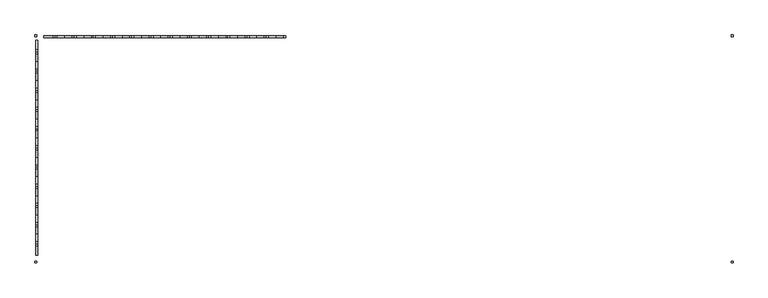
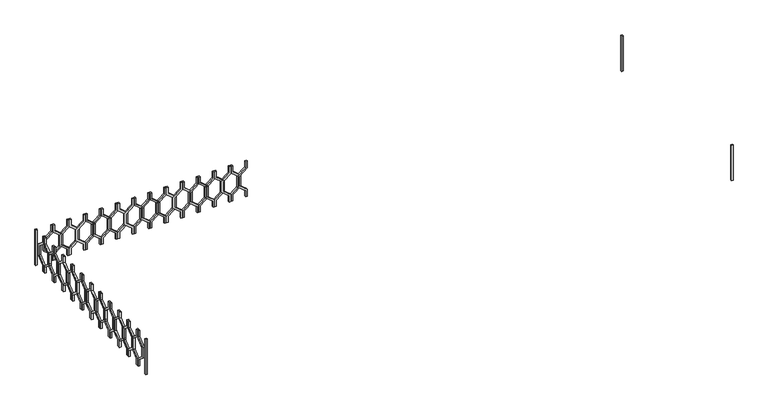
"""IFC4 building model written with IfcOpenShell, lengths in millimetres: railing geometry."""

from ifc_helpers import new_model, si_unit, frame, origin, place, context, project, spatial, polyline, outline, extrude, source, transform, mapped, element, save


def railing_8b31e123(model_context):
    return source(origin(), model_context, "Body", "SweptSolid", [
        extrude(outline(polyline([(28660.0, 44935.0112841), (28660.0, 44915.0112841), (28580.0, 44915.0112841), (28500.0, 44816.0163347), (28360.0, 44816.0163347), (28280.0, 44915.0112841), (28200.0, 44915.0112841), (28200.0, 44935.0112841), (28289.551845, 44935.0112841), (28369.551845, 44836.0163347), (28490.448155, 44836.0163347), (28570.448155, 44935.0112841), (28660.0, 44935.0112841)])), frame((0.0, 3248.1079487, 0.0), z_axis=(0.0, 1.0, 0.0), x_axis=(0.0, 0.0, 1.0)), (0.0, 0.0, 1.0), 20.0),
        extrude(outline(polyline([(28660.0, 44735.0112841), (28570.448155, 44735.0112841), (28490.448155, 44834.0062335), (28369.551845, 44834.0062335), (28289.551845, 44735.0112841), (28200.0, 44735.0112841), (28200.0, 44755.0112841), (28280.0, 44755.0112841), (28360.0, 44854.0062335), (28500.0, 44854.0062335), (28580.0, 44755.0112841), (28660.0, 44755.0112841), (28660.0, 44735.0112841)])), frame((0.0, 3248.1079487, 0.0), z_axis=(0.0, 1.0, 0.0), x_axis=(0.0, 0.0, 1.0)), (0.0, 0.0, 1.0), 20.0),
        extrude(outline(polyline([(28660.0, 44735.0112841), (28660.0, 44715.0112841), (28580.0, 44715.0112841), (28500.0, 44616.0163347), (28360.0, 44616.0163347), (28280.0, 44715.0112841), (28200.0, 44715.0112841), (28200.0, 44735.0112841), (28289.551845, 44735.0112841), (28369.551845, 44636.0163347), (28490.448155, 44636.0163347), (28570.448155, 44735.0112841), (28660.0, 44735.0112841)])), frame((0.0, 3248.1079487, 0.0), z_axis=(0.0, 1.0, 0.0), x_axis=(0.0, 0.0, 1.0)), (0.0, 0.0, 1.0), 20.0),
        extrude(outline(polyline([(28660.0, 44535.0112841), (28570.448155, 44535.0112841), (28490.448155, 44634.0062335), (28369.551845, 44634.0062335), (28289.551845, 44535.0112841), (28200.0, 44535.0112841), (28200.0, 44555.0112841), (28280.0, 44555.0112841), (28360.0, 44654.0062335), (28500.0, 44654.0062335), (28580.0, 44555.0112841), (28660.0, 44555.0112841), (28660.0, 44535.0112841)])), frame((0.0, 3248.1079487, 0.0), z_axis=(0.0, 1.0, 0.0), x_axis=(0.0, 0.0, 1.0)), (0.0, 0.0, 1.0), 20.0),
        extrude(outline(polyline([(28660.0, 44535.0112841), (28660.0, 44515.0112841), (28580.0, 44515.0112841), (28500.0, 44416.0163347), (28360.0, 44416.0163347), (28280.0, 44515.0112841), (28200.0, 44515.0112841), (28200.0, 44535.0112841), (28289.551845, 44535.0112841), (28369.551845, 44436.0163347), (28490.448155, 44436.0163347), (28570.448155, 44535.0112841), (28660.0, 44535.0112841)])), frame((0.0, 3248.1079487, 0.0), z_axis=(0.0, 1.0, 0.0), x_axis=(0.0, 0.0, 1.0)), (0.0, 0.0, 1.0), 20.0),
        extrude(outline(polyline([(28660.0, 44335.0112841), (28570.448155, 44335.0112841), (28490.448155, 44434.0062335), (28369.551845, 44434.0062335), (28289.551845, 44335.0112841), (28200.0, 44335.0112841), (28200.0, 44355.0112841), (28280.0, 44355.0112841), (28360.0, 44454.0062335), (28500.0, 44454.0062335), (28580.0, 44355.0112841), (28660.0, 44355.0112841), (28660.0, 44335.0112841)])), frame((0.0, 3248.1079487, 0.0), z_axis=(0.0, 1.0, 0.0), x_axis=(0.0, 0.0, 1.0)), (0.0, 0.0, 1.0), 20.0),
        extrude(outline(polyline([(28660.0, 44335.0112841), (28660.0, 44315.0112841), (28580.0, 44315.0112841), (28500.0, 44216.0163347), (28360.0, 44216.0163347), (28280.0, 44315.0112841), (28200.0, 44315.0112841), (28200.0, 44335.0112841), (28289.551845, 44335.0112841), (28369.551845, 44236.0163347), (28490.448155, 44236.0163347), (28570.448155, 44335.0112841), (28660.0, 44335.0112841)])), frame((0.0, 3248.1079487, 0.0), z_axis=(0.0, 1.0, 0.0), x_axis=(0.0, 0.0, 1.0)), (0.0, 0.0, 1.0), 20.0),
        extrude(outline(polyline([(28660.0, 44135.0112841), (28570.448155, 44135.0112841), (28490.448155, 44234.0062335), (28369.551845, 44234.0062335), (28289.551845, 44135.0112841), (28200.0, 44135.0112841), (28200.0, 44155.0112841), (28280.0, 44155.0112841), (28360.0, 44254.0062335), (28500.0, 44254.0062335), (28580.0, 44155.0112841), (28660.0, 44155.0112841), (28660.0, 44135.0112841)])), frame((0.0, 3248.1079487, 0.0), z_axis=(0.0, 1.0, 0.0), x_axis=(0.0, 0.0, 1.0)), (0.0, 0.0, 1.0), 20.0),
        extrude(outline(polyline([(28660.0, 44135.0112841), (28660.0, 44115.0112841), (28580.0, 44115.0112841), (28500.0, 44016.0163347), (28360.0, 44016.0163347), (28280.0, 44115.0112841), (28200.0, 44115.0112841), (28200.0, 44135.0112841), (28289.551845, 44135.0112841), (28369.551845, 44036.0163347), (28490.448155, 44036.0163347), (28570.448155, 44135.0112841), (28660.0, 44135.0112841)])), frame((0.0, 3248.1079487, 0.0), z_axis=(0.0, 1.0, 0.0), x_axis=(0.0, 0.0, 1.0)), (0.0, 0.0, 1.0), 20.0),
        extrude(outline(polyline([(28660.0, 43935.0112841), (28570.448155, 43935.0112841), (28490.448155, 44034.0062335), (28369.551845, 44034.0062335), (28289.551845, 43935.0112841), (28200.0, 43935.0112841), (28200.0, 43955.0112841), (28280.0, 43955.0112841), (28360.0, 44054.0062335), (28500.0, 44054.0062335), (28580.0, 43955.0112841), (28660.0, 43955.0112841), (28660.0, 43935.0112841)])), frame((0.0, 3248.1079487, 0.0), z_axis=(0.0, 1.0, 0.0), x_axis=(0.0, 0.0, 1.0)), (0.0, 0.0, 1.0), 20.0),
        extrude(outline(polyline([(28660.0, 43935.0112841), (28660.0, 43915.0112841), (28580.0, 43915.0112841), (28500.0, 43816.0163347), (28360.0, 43816.0163347), (28280.0, 43915.0112841), (28200.0, 43915.0112841), (28200.0, 43935.0112841), (28289.551845, 43935.0112841), (28369.551845, 43836.0163347), (28490.448155, 43836.0163347), (28570.448155, 43935.0112841), (28660.0, 43935.0112841)])), frame((0.0, 3248.1079487, 0.0), z_axis=(0.0, 1.0, 0.0), x_axis=(0.0, 0.0, 1.0)), (0.0, 0.0, 1.0), 20.0),
        extrude(outline(polyline([(28660.0, 43735.0112841), (28570.448155, 43735.0112841), (28490.448155, 43834.0062335), (28369.551845, 43834.0062335), (28289.551845, 43735.0112841), (28200.0, 43735.0112841), (28200.0, 43755.0112841), (28280.0, 43755.0112841), (28360.0, 43854.0062335), (28500.0, 43854.0062335), (28580.0, 43755.0112841), (28660.0, 43755.0112841), (28660.0, 43735.0112841)])), frame((0.0, 3248.1079487, 0.0), z_axis=(0.0, 1.0, 0.0), x_axis=(0.0, 0.0, 1.0)), (0.0, 0.0, 1.0), 20.0),
        extrude(outline(polyline([(28660.0, 43735.0112841), (28660.0, 43715.0112841), (28580.0, 43715.0112841), (28500.0, 43616.0163347), (28360.0, 43616.0163347), (28280.0, 43715.0112841), (28200.0, 43715.0112841), (28200.0, 43735.0112841), (28289.551845, 43735.0112841), (28369.551845, 43636.0163347), (28490.448155, 43636.0163347), (28570.448155, 43735.0112841), (28660.0, 43735.0112841)])), frame((0.0, 3248.1079487, 0.0), z_axis=(0.0, 1.0, 0.0), x_axis=(0.0, 0.0, 1.0)), (0.0, 0.0, 1.0), 20.0),
        extrude(outline(polyline([(28660.0, 43535.0112841), (28570.448155, 43535.0112841), (28490.448155, 43634.0062335), (28369.551845, 43634.0062335), (28289.551845, 43535.0112841), (28200.0, 43535.0112841), (28200.0, 43555.0112841), (28280.0, 43555.0112841), (28360.0, 43654.0062335), (28500.0, 43654.0062335), (28580.0, 43555.0112841), (28660.0, 43555.0112841), (28660.0, 43535.0112841)])), frame((0.0, 3248.1079487, 0.0), z_axis=(0.0, 1.0, 0.0), x_axis=(0.0, 0.0, 1.0)), (0.0, 0.0, 1.0), 20.0),
        extrude(outline(polyline([(28660.0, 43535.0112841), (28660.0, 43515.0112841), (28580.0, 43515.0112841), (28500.0, 43416.0163347), (28360.0, 43416.0163347), (28280.0, 43515.0112841), (28200.0, 43515.0112841), (28200.0, 43535.0112841), (28289.551845, 43535.0112841), (28369.551845, 43436.0163347), (28490.448155, 43436.0163347), (28570.448155, 43535.0112841), (28660.0, 43535.0112841)])), frame((0.0, 3248.1079487, 0.0), z_axis=(0.0, 1.0, 0.0), x_axis=(0.0, 0.0, 1.0)), (0.0, 0.0, 1.0), 20.0),
        extrude(outline(polyline([(28660.0, 43335.0112841), (28570.448155, 43335.0112841), (28490.448155, 43434.0062335), (28369.551845, 43434.0062335), (28289.551845, 43335.0112841), (28200.0, 43335.0112841), (28200.0, 43355.0112841), (28280.0, 43355.0112841), (28360.0, 43454.0062335), (28500.0, 43454.0062335), (28580.0, 43355.0112841), (28660.0, 43355.0112841), (28660.0, 43335.0112841)])), frame((0.0, 3248.1079487, 0.0), z_axis=(0.0, 1.0, 0.0), x_axis=(0.0, 0.0, 1.0)), (0.0, 0.0, 1.0), 20.0),
        extrude(outline(polyline([(28660.0, 43335.0112841), (28660.0, 43315.0112841), (28580.0, 43315.0112841), (28500.0, 43216.0163347), (28360.0, 43216.0163347), (28280.0, 43315.0112841), (28200.0, 43315.0112841), (28200.0, 43335.0112841), (28289.551845, 43335.0112841), (28369.551845, 43236.0163347), (28490.448155, 43236.0163347), (28570.448155, 43335.0112841), (28660.0, 43335.0112841)])), frame((0.0, 3248.1079487, 0.0), z_axis=(0.0, 1.0, 0.0), x_axis=(0.0, 0.0, 1.0)), (0.0, 0.0, 1.0), 20.0),
        extrude(outline(polyline([(28660.0, 43135.0112841), (28570.448155, 43135.0112841), (28490.448155, 43234.0062335), (28369.551845, 43234.0062335), (28289.551845, 43135.0112841), (28200.0, 43135.0112841), (28200.0, 43155.0112841), (28280.0, 43155.0112841), (28360.0, 43254.0062335), (28500.0, 43254.0062335), (28580.0, 43155.0112841), (28660.0, 43155.0112841), (28660.0, 43135.0112841)])), frame((0.0, 3248.1079487, 0.0), z_axis=(0.0, 1.0, 0.0), x_axis=(0.0, 0.0, 1.0)), (0.0, 0.0, 1.0), 20.0),
        extrude(outline(polyline([(28660.0, 43135.0112841), (28660.0, 43115.0112841), (28580.0, 43115.0112841), (28500.0, 43016.0163347), (28360.0, 43016.0163347), (28280.0, 43115.0112841), (28200.0, 43115.0112841), (28200.0, 43135.0112841), (28289.551845, 43135.0112841), (28369.551845, 43036.0163347), (28490.448155, 43036.0163347), (28570.448155, 43135.0112841), (28660.0, 43135.0112841)])), frame((0.0, 3248.1079487, 0.0), z_axis=(0.0, 1.0, 0.0), x_axis=(0.0, 0.0, 1.0)), (0.0, 0.0, 1.0), 20.0),
        extrude(outline(polyline([(28660.0, 42935.0112841), (28570.448155, 42935.0112841), (28490.448155, 43034.0062335), (28369.551845, 43034.0062335), (28289.551845, 42935.0112841), (28200.0, 42935.0112841), (28200.0, 42955.0112841), (28280.0, 42955.0112841), (28360.0, 43054.0062335), (28500.0, 43054.0062335), (28580.0, 42955.0112841), (28660.0, 42955.0112841), (28660.0, 42935.0112841)])), frame((0.0, 3248.1079487, 0.0), z_axis=(0.0, 1.0, 0.0), x_axis=(0.0, 0.0, 1.0)), (0.0, 0.0, 1.0), 20.0),
        extrude(outline(polyline([(28660.0, 42935.0112841), (28660.0, 42915.0112841), (28580.0, 42915.0112841), (28500.0, 42816.0163347), (28360.0, 42816.0163347), (28280.0, 42915.0112841), (28200.0, 42915.0112841), (28200.0, 42935.0112841), (28289.551845, 42935.0112841), (28369.551845, 42836.0163347), (28490.448155, 42836.0163347), (28570.448155, 42935.0112841), (28660.0, 42935.0112841)])), frame((0.0, 3248.1079487, 0.0), z_axis=(0.0, 1.0, 0.0), x_axis=(0.0, 0.0, 1.0)), (0.0, 0.0, 1.0), 20.0),
        extrude(outline(polyline([(28660.0, 42735.0112841), (28570.448155, 42735.0112841), (28490.448155, 42834.0062335), (28369.551845, 42834.0062335), (28289.551845, 42735.0112841), (28200.0, 42735.0112841), (28200.0, 42755.0112841), (28280.0, 42755.0112841), (28360.0, 42854.0062335), (28500.0, 42854.0062335), (28580.0, 42755.0112841), (28660.0, 42755.0112841), (28660.0, 42735.0112841)])), frame((0.0, 3248.1079487, 0.0), z_axis=(0.0, 1.0, 0.0), x_axis=(0.0, 0.0, 1.0)), (0.0, 0.0, 1.0), 20.0),
        extrude(outline(polyline([(28660.0, 42735.0112841), (28660.0, 42715.0112841), (28580.0, 42715.0112841), (28500.0, 42616.0163347), (28360.0, 42616.0163347), (28280.0, 42715.0112841), (28200.0, 42715.0112841), (28200.0, 42735.0112841), (28289.551845, 42735.0112841), (28369.551845, 42636.0163347), (28490.448155, 42636.0163347), (28570.448155, 42735.0112841), (28660.0, 42735.0112841)])), frame((0.0, 3248.1079487, 0.0), z_axis=(0.0, 1.0, 0.0), x_axis=(0.0, 0.0, 1.0)), (0.0, 0.0, 1.0), 20.0),
        extrude(outline(polyline([(28660.0, 42535.0112841), (28570.448155, 42535.0112841), (28490.448155, 42634.0062335), (28369.551845, 42634.0062335), (28289.551845, 42535.0112841), (28200.0, 42535.0112841), (28200.0, 42555.0112841), (28280.0, 42555.0112841), (28360.0, 42654.0062335), (28500.0, 42654.0062335), (28580.0, 42555.0112841), (28660.0, 42555.0112841), (28660.0, 42535.0112841)])), frame((0.0, 3248.1079487, 0.0), z_axis=(0.0, 1.0, 0.0), x_axis=(0.0, 0.0, 1.0)), (0.0, 0.0, 1.0), 20.0),
        extrude(outline(polyline([(28660.0, 42535.0112841), (28660.0, 42515.0112841), (28580.0, 42515.0112841), (28500.0, 42416.0163347), (28360.0, 42416.0163347), (28280.0, 42515.0112841), (28200.0, 42515.0112841), (28200.0, 42535.0112841), (28289.551845, 42535.0112841), (28369.551845, 42436.0163347), (28490.448155, 42436.0163347), (28570.448155, 42535.0112841), (28660.0, 42535.0112841)])), frame((0.0, 3248.1079487, 0.0), z_axis=(0.0, 1.0, 0.0), x_axis=(0.0, 0.0, 1.0)), (0.0, 0.0, 1.0), 20.0),
        extrude(outline(polyline([(3103.1079487, 28660.0), (3123.1079487, 28660.0), (3123.1079487, 28580.0), (3222.102898, 28500.0), (3222.102898, 28360.0), (3123.1079487, 28280.0), (3123.1079487, 28200.0), (3103.1079487, 28200.0), (3103.1079487, 28289.551845), (3202.102898, 28369.551845), (3202.102898, 28490.448155), (3103.1079487, 28570.448155), (3103.1079487, 28660.0)])), frame((42335.0112841, 0.0, 0.0), z_axis=(1.0, 0.0, 0.0), x_axis=(0.0, 1.0, 0.0)), (0.0, 0.0, 1.0), 20.0),
        extrude(outline(polyline([(3103.1079487, 28660.0), (3103.1079487, 28570.448155), (3004.1129993, 28490.448155), (3004.1129993, 28369.551845), (3103.1079487, 28289.551845), (3103.1079487, 28200.0), (3083.1079487, 28200.0), (3083.1079487, 28280.0), (2984.1129993, 28360.0), (2984.1129993, 28500.0), (3083.1079487, 28580.0), (3083.1079487, 28660.0), (3103.1079487, 28660.0)])), frame((42335.0112841, 0.0, 0.0), z_axis=(1.0, 0.0, 0.0), x_axis=(0.0, 1.0, 0.0)), (0.0, 0.0, 1.0), 20.0),
        extrude(outline(polyline([(2903.1079487, 28660.0), (2923.1079487, 28660.0), (2923.1079487, 28580.0), (3022.102898, 28500.0), (3022.102898, 28360.0), (2923.1079487, 28280.0), (2923.1079487, 28200.0), (2903.1079487, 28200.0), (2903.1079487, 28289.551845), (3002.102898, 28369.551845), (3002.102898, 28490.448155), (2903.1079487, 28570.448155), (2903.1079487, 28660.0)])), frame((42335.0112841, 0.0, 0.0), z_axis=(1.0, 0.0, 0.0), x_axis=(0.0, 1.0, 0.0)), (0.0, 0.0, 1.0), 20.0),
        extrude(outline(polyline([(2903.1079487, 28660.0), (2903.1079487, 28570.448155), (2804.1129993, 28490.448155), (2804.1129993, 28369.551845), (2903.1079487, 28289.551845), (2903.1079487, 28200.0), (2883.1079487, 28200.0), (2883.1079487, 28280.0), (2784.1129993, 28360.0), (2784.1129993, 28500.0), (2883.1079487, 28580.0), (2883.1079487, 28660.0), (2903.1079487, 28660.0)])), frame((42335.0112841, 0.0, 0.0), z_axis=(1.0, 0.0, 0.0), x_axis=(0.0, 1.0, 0.0)), (0.0, 0.0, 1.0), 20.0),
        extrude(outline(polyline([(2703.1079487, 28660.0), (2723.1079487, 28660.0), (2723.1079487, 28580.0), (2822.102898, 28500.0), (2822.102898, 28360.0), (2723.1079487, 28280.0), (2723.1079487, 28200.0), (2703.1079487, 28200.0), (2703.1079487, 28289.551845), (2802.102898, 28369.551845), (2802.102898, 28490.448155), (2703.1079487, 28570.448155), (2703.1079487, 28660.0)])), frame((42335.0112841, 0.0, 0.0), z_axis=(1.0, 0.0, 0.0), x_axis=(0.0, 1.0, 0.0)), (0.0, 0.0, 1.0), 20.0),
        extrude(outline(polyline([(2703.1079487, 28660.0), (2703.1079487, 28570.448155), (2604.1129993, 28490.448155), (2604.1129993, 28369.551845), (2703.1079487, 28289.551845), (2703.1079487, 28200.0), (2683.1079487, 28200.0), (2683.1079487, 28280.0), (2584.1129993, 28360.0), (2584.1129993, 28500.0), (2683.1079487, 28580.0), (2683.1079487, 28660.0), (2703.1079487, 28660.0)])), frame((42335.0112841, 0.0, 0.0), z_axis=(1.0, 0.0, 0.0), x_axis=(0.0, 1.0, 0.0)), (0.0, 0.0, 1.0), 20.0),
        extrude(outline(polyline([(2503.1079487, 28660.0), (2523.1079487, 28660.0), (2523.1079487, 28580.0), (2622.102898, 28500.0), (2622.102898, 28360.0), (2523.1079487, 28280.0), (2523.1079487, 28200.0), (2503.1079487, 28200.0), (2503.1079487, 28289.551845), (2602.102898, 28369.551845), (2602.102898, 28490.448155), (2503.1079487, 28570.448155), (2503.1079487, 28660.0)])), frame((42335.0112841, 0.0, 0.0), z_axis=(1.0, 0.0, 0.0), x_axis=(0.0, 1.0, 0.0)), (0.0, 0.0, 1.0), 20.0),
        extrude(outline(polyline([(2503.1079487, 28660.0), (2503.1079487, 28570.448155), (2404.1129993, 28490.448155), (2404.1129993, 28369.551845), (2503.1079487, 28289.551845), (2503.1079487, 28200.0), (2483.1079487, 28200.0), (2483.1079487, 28280.0), (2384.1129993, 28360.0), (2384.1129993, 28500.0), (2483.1079487, 28580.0), (2483.1079487, 28660.0), (2503.1079487, 28660.0)])), frame((42335.0112841, 0.0, 0.0), z_axis=(1.0, 0.0, 0.0), x_axis=(0.0, 1.0, 0.0)), (0.0, 0.0, 1.0), 20.0),
        extrude(outline(polyline([(2303.1079487, 28660.0), (2323.1079487, 28660.0), (2323.1079487, 28580.0), (2422.102898, 28500.0), (2422.102898, 28360.0), (2323.1079487, 28280.0), (2323.1079487, 28200.0), (2303.1079487, 28200.0), (2303.1079487, 28289.551845), (2402.102898, 28369.551845), (2402.102898, 28490.448155), (2303.1079487, 28570.448155), (2303.1079487, 28660.0)])), frame((42335.0112841, 0.0, 0.0), z_axis=(1.0, 0.0, 0.0), x_axis=(0.0, 1.0, 0.0)), (0.0, 0.0, 1.0), 20.0),
        extrude(outline(polyline([(2303.1079487, 28660.0), (2303.1079487, 28570.448155), (2204.1129993, 28490.448155), (2204.1129993, 28369.551845), (2303.1079487, 28289.551845), (2303.1079487, 28200.0), (2283.1079487, 28200.0), (2283.1079487, 28280.0), (2184.1129993, 28360.0), (2184.1129993, 28500.0), (2283.1079487, 28580.0), (2283.1079487, 28660.0), (2303.1079487, 28660.0)])), frame((42335.0112841, 0.0, 0.0), z_axis=(1.0, 0.0, 0.0), x_axis=(0.0, 1.0, 0.0)), (0.0, 0.0, 1.0), 20.0),
        extrude(outline(polyline([(2103.1079487, 28660.0), (2123.1079487, 28660.0), (2123.1079487, 28580.0), (2222.102898, 28500.0), (2222.102898, 28360.0), (2123.1079487, 28280.0), (2123.1079487, 28200.0), (2103.1079487, 28200.0), (2103.1079487, 28289.551845), (2202.102898, 28369.551845), (2202.102898, 28490.448155), (2103.1079487, 28570.448155), (2103.1079487, 28660.0)])), frame((42335.0112841, 0.0, 0.0), z_axis=(1.0, 0.0, 0.0), x_axis=(0.0, 1.0, 0.0)), (0.0, 0.0, 1.0), 20.0),
        extrude(outline(polyline([(2103.1079487, 28660.0), (2103.1079487, 28570.448155), (2004.1129993, 28490.448155), (2004.1129993, 28369.551845), (2103.1079487, 28289.551845), (2103.1079487, 28200.0), (2083.1079487, 28200.0), (2083.1079487, 28280.0), (1984.1129993, 28360.0), (1984.1129993, 28500.0), (2083.1079487, 28580.0), (2083.1079487, 28660.0), (2103.1079487, 28660.0)])), frame((42335.0112841, 0.0, 0.0), z_axis=(1.0, 0.0, 0.0), x_axis=(0.0, 1.0, 0.0)), (0.0, 0.0, 1.0), 20.0),
        extrude(outline(polyline([(1903.1079487, 28660.0), (1923.1079487, 28660.0), (1923.1079487, 28580.0), (2022.102898, 28500.0), (2022.102898, 28360.0), (1923.1079487, 28280.0), (1923.1079487, 28200.0), (1903.1079487, 28200.0), (1903.1079487, 28289.551845), (2002.102898, 28369.551845), (2002.102898, 28490.448155), (1903.1079487, 28570.448155), (1903.1079487, 28660.0)])), frame((42335.0112841, 0.0, 0.0), z_axis=(1.0, 0.0, 0.0), x_axis=(0.0, 1.0, 0.0)), (0.0, 0.0, 1.0), 20.0),
        extrude(outline(polyline([(1903.1079487, 28660.0), (1903.1079487, 28570.448155), (1804.1129993, 28490.448155), (1804.1129993, 28369.551845), (1903.1079487, 28289.551845), (1903.1079487, 28200.0), (1883.1079487, 28200.0), (1883.1079487, 28280.0), (1784.1129993, 28360.0), (1784.1129993, 28500.0), (1883.1079487, 28580.0), (1883.1079487, 28660.0), (1903.1079487, 28660.0)])), frame((42335.0112841, 0.0, 0.0), z_axis=(1.0, 0.0, 0.0), x_axis=(0.0, 1.0, 0.0)), (0.0, 0.0, 1.0), 20.0),
        extrude(outline(polyline([(1703.1079487, 28660.0), (1723.1079487, 28660.0), (1723.1079487, 28580.0), (1822.102898, 28500.0), (1822.102898, 28360.0), (1723.1079487, 28280.0), (1723.1079487, 28200.0), (1703.1079487, 28200.0), (1703.1079487, 28289.551845), (1802.102898, 28369.551845), (1802.102898, 28490.448155), (1703.1079487, 28570.448155), (1703.1079487, 28660.0)])), frame((42335.0112841, 0.0, 0.0), z_axis=(1.0, 0.0, 0.0), x_axis=(0.0, 1.0, 0.0)), (0.0, 0.0, 1.0), 20.0),
        extrude(outline(polyline([(1703.1079487, 28660.0), (1703.1079487, 28570.448155), (1604.1129993, 28490.448155), (1604.1129993, 28369.551845), (1703.1079487, 28289.551845), (1703.1079487, 28200.0), (1683.1079487, 28200.0), (1683.1079487, 28280.0), (1584.1129993, 28360.0), (1584.1129993, 28500.0), (1683.1079487, 28580.0), (1683.1079487, 28660.0), (1703.1079487, 28660.0)])), frame((42335.0112841, 0.0, 0.0), z_axis=(1.0, 0.0, 0.0), x_axis=(0.0, 1.0, 0.0)), (0.0, 0.0, 1.0), 20.0),
        extrude(outline(polyline([(1503.1079487, 28660.0), (1523.1079487, 28660.0), (1523.1079487, 28580.0), (1622.102898, 28500.0), (1622.102898, 28360.0), (1523.1079487, 28280.0), (1523.1079487, 28200.0), (1503.1079487, 28200.0), (1503.1079487, 28289.551845), (1602.102898, 28369.551845), (1602.102898, 28490.448155), (1503.1079487, 28570.448155), (1503.1079487, 28660.0)])), frame((42335.0112841, 0.0, 0.0), z_axis=(1.0, 0.0, 0.0), x_axis=(0.0, 1.0, 0.0)), (0.0, 0.0, 1.0), 20.0),
        extrude(outline(polyline([(1503.1079487, 28660.0), (1503.1079487, 28570.448155), (1404.1129993, 28490.448155), (1404.1129993, 28369.551845), (1503.1079487, 28289.551845), (1503.1079487, 28200.0), (1483.1079487, 28200.0), (1483.1079487, 28280.0), (1384.1129993, 28360.0), (1384.1129993, 28500.0), (1483.1079487, 28580.0), (1483.1079487, 28660.0), (1503.1079487, 28660.0)])), frame((42335.0112841, 0.0, 0.0), z_axis=(1.0, 0.0, 0.0), x_axis=(0.0, 1.0, 0.0)), (0.0, 0.0, 1.0), 20.0),
        extrude(outline(polyline([(1303.1079487, 28660.0), (1323.1079487, 28660.0), (1323.1079487, 28580.0), (1422.102898, 28500.0), (1422.102898, 28360.0), (1323.1079487, 28280.0), (1323.1079487, 28200.0), (1303.1079487, 28200.0), (1303.1079487, 28289.551845), (1402.102898, 28369.551845), (1402.102898, 28490.448155), (1303.1079487, 28570.448155), (1303.1079487, 28660.0)])), frame((42335.0112841, 0.0, 0.0), z_axis=(1.0, 0.0, 0.0), x_axis=(0.0, 1.0, 0.0)), (0.0, 0.0, 1.0), 20.0),
        extrude(outline(polyline([(1303.1079487, 28660.0), (1303.1079487, 28570.448155), (1204.1129993, 28490.448155), (1204.1129993, 28369.551845), (1303.1079487, 28289.551845), (1303.1079487, 28200.0), (1283.1079487, 28200.0), (1283.1079487, 28280.0), (1184.1129993, 28360.0), (1184.1129993, 28500.0), (1283.1079487, 28580.0), (1283.1079487, 28660.0), (1303.1079487, 28660.0)])), frame((42335.0112841, 0.0, 0.0), z_axis=(1.0, 0.0, 0.0), x_axis=(0.0, 1.0, 0.0)), (0.0, 0.0, 1.0), 20.0),
        extrude(outline(polyline([(1103.1079487, 28660.0), (1123.1079487, 28660.0), (1123.1079487, 28580.0), (1222.102898, 28500.0), (1222.102898, 28360.0), (1123.1079487, 28280.0), (1123.1079487, 28200.0), (1103.1079487, 28200.0), (1103.1079487, 28289.551845), (1202.102898, 28369.551845), (1202.102898, 28490.448155), (1103.1079487, 28570.448155), (1103.1079487, 28660.0)])), frame((42335.0112841, 0.0, 0.0), z_axis=(1.0, 0.0, 0.0), x_axis=(0.0, 1.0, 0.0)), (0.0, 0.0, 1.0), 20.0),
        extrude(outline(polyline([(1103.1079487, 28660.0), (1103.1079487, 28570.448155), (1004.1129993, 28490.448155), (1004.1129993, 28369.551845), (1103.1079487, 28289.551845), (1103.1079487, 28200.0), (1083.1079487, 28200.0), (1083.1079487, 28280.0), (984.1129993, 28360.0), (984.1129993, 28500.0), (1083.1079487, 28580.0), (1083.1079487, 28660.0), (1103.1079487, 28660.0)])), frame((42335.0112841, 0.0, 0.0), z_axis=(1.0, 0.0, 0.0), x_axis=(0.0, 1.0, 0.0)), (0.0, 0.0, 1.0), 20.0),
        extrude(outline(polyline([(49575.0112841, 3278.1079487), (49595.0112841, 3278.1079487), (49595.0112841, 3258.1079487), (49575.0112841, 3258.1079487), (49575.0112841, 3278.1079487)])), frame((0.0, 0.0, 28200.0), z_axis=(0.0, 0.0, 1.0), x_axis=(1.0, 0.0, 0.0)), (0.0, 0.0, 1.0), 460.0),
        extrude(outline(polyline([(42325.0112841, 3258.1079487), (42325.0112841, 3278.1079487), (42345.0112841, 3278.1079487), (42345.0112841, 3258.1079487), (42325.0112841, 3258.1079487)])), frame((0.0, 0.0, 28200.0), z_axis=(0.0, 0.0, 1.0), x_axis=(1.0, 0.0, 0.0)), (0.0, 0.0, 1.0), 460.0),
        extrude(outline(polyline([(49595.0112841, 923.1079487), (49595.0112841, 903.1079487), (49575.0112841, 903.1079487), (49575.0112841, 923.1079487), (49595.0112841, 923.1079487)])), frame((0.0, 0.0, 28200.0), z_axis=(0.0, 0.0, 1.0), x_axis=(1.0, 0.0, 0.0)), (0.0, 0.0, 1.0), 460.0),
        extrude(outline(polyline([(42325.0112841, 903.1079487), (42325.0112841, 923.1079487), (42345.0112841, 923.1079487), (42345.0112841, 903.1079487), (42325.0112841, 903.1079487)])), frame((0.0, 0.0, 28200.0), z_axis=(0.0, 0.0, 1.0), x_axis=(1.0, 0.0, 0.0)), (0.0, 0.0, 1.0), 460.0),
    ])


if __name__ == "__main__":
    model = new_model("IFC4")
    model_context = context("Model", 3, world=origin())
    ifc_project = project(units=[si_unit("LENGTHUNIT", "METRE", prefix="MILLI")], contexts=[model_context])
    site = spatial("IfcSite", under=ifc_project)
    building = spatial("IfcBuilding", under=site)
    placement = place(None, origin())
    railing_shape = railing_8b31e123(model_context)
    element("IfcRailing", 1, at=placement, inside=building, context=model_context, shape_type="MappedRepresentation", body=[
        mapped(railing_shape, transform((0.0, 0.0, 0.0), x_axis=(1.0, 0.0, 0.0), y_axis=(0.0, 1.0, 0.0), z_axis=(0.0, 0.0, 1.0))),
    ])
    save(model, "model.ifc")
